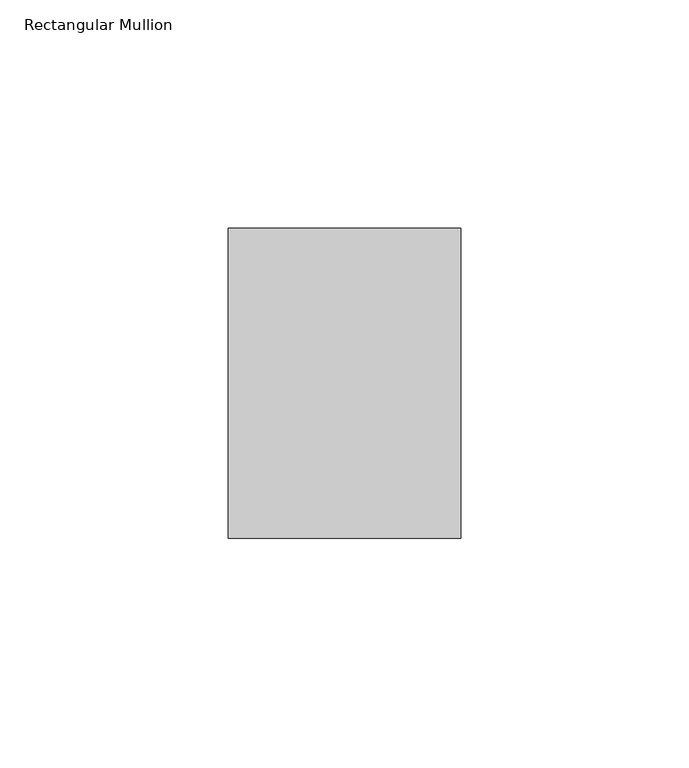
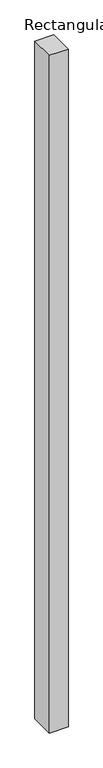
"""IFC4 building model written with IfcOpenShell, lengths in millimetres: member geometry, Rectangular Mullion."""

from ifc_helpers import new_model, si_unit, frame, origin, place, context, project, spatial, polyline, outline, extrude, source, transform, mapped, element, save


def rectangular_mullion_82019052(model_context):
    return source(origin(), model_context, "Body", "SweptSolid", [
        extrude(outline(polyline([(0.0, 68.0), (0.0, 0.0), (-51.0, 0.0), (-51.0, 68.0), (0.0, 68.0)])), frame((0.0, 0.0, -1949.0), z_axis=(0.0, 0.0, 1.0), x_axis=(1.0, 0.0, 0.0)), (0.0, 0.0, 1.0), 1949.0),
    ])


if __name__ == "__main__":
    model = new_model("IFC4")
    model_context = context("Model", 3, world=origin())
    ifc_project = project(units=[si_unit("LENGTHUNIT", "METRE", prefix="MILLI")], contexts=[model_context])
    site = spatial("IfcSite", under=ifc_project)
    building = spatial("IfcBuilding", under=site)
    placement = place(None, origin())
    rectangular_mullion_shape = rectangular_mullion_82019052(model_context)
    element("IfcMember", 1, ObjectType="Rectangular Mullion", at=placement, inside=building, context=model_context, shape_type="MappedRepresentation", body=[
        mapped(rectangular_mullion_shape, transform((0.0, 0.0, 0.0), x_axis=(1.0, 0.0, 0.0), y_axis=(0.0, 1.0, 0.0), z_axis=(0.0, 0.0, 1.0))),
    ])
    save(model, "model.ifc")
